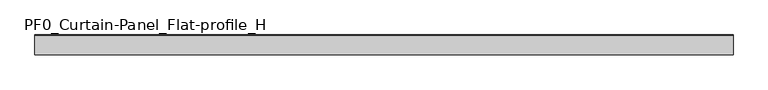
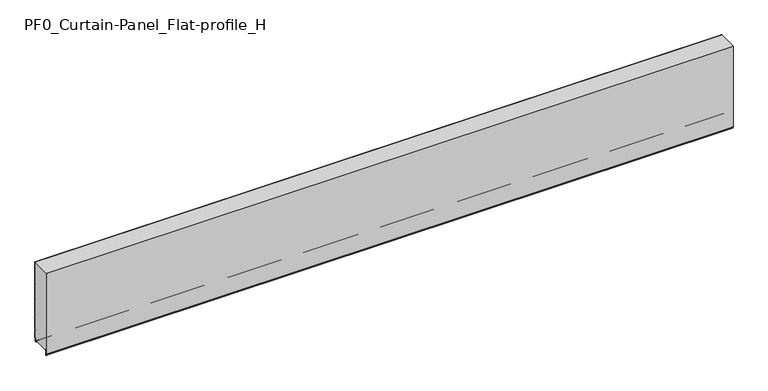
"""IFC4 building model written with IfcOpenShell, lengths in millimetres: plate geometry, PF0_Curtain-Panel_Flat-profile_H."""

from ifc_helpers import new_model, si_unit, point, frame, frame_2d, origin, place, context, project, spatial, polyline, circle_curve, trimmed, segment, composite_curve, outline, extrude, source, transform, mapped, element, save


def pf0_curtain_panel_flat_profile_h_ac6da099(model_context):
    return source(origin(), model_context, "Body", "SweptSolid", [
        extrude(outline(composite_curve([segment(polyline([(-15.878557, 0.0), (-20.0, 0.0), (-20.0, 0.8), (-15.878557, 0.8)]), True, "CONTINUOUS"), segment(trimmed(circle_curve(frame_2d((-15.878557, -2.0)), 2.8), [point((-15.878557, 0.8))], [point((-13.1503208, -1.370137))], False, "CARTESIAN"), True, "CONTINUOUS"), segment(polyline([(-13.1503208, -1.370137), (-11.728236, -7.529863)]), True, "CONTINUOUS"), segment(trimmed(circle_curve(frame_2d((-9.0, -6.9)), 2.8), [point((-11.728236, -7.529863))], [point((-6.2, -6.9))], True, "CARTESIAN"), True, "CONTINUOUS"), segment(polyline([(-6.2, -6.9), (-6.2, 8.6)]), True, "CONTINUOUS"), segment(trimmed(circle_curve(frame_2d((-3.4, 8.6)), 2.8), [point((-6.2, 8.6))], [point((-3.4, 11.4))], False, "CARTESIAN"), True, "CONTINUOUS"), segment(polyline([(-3.4, 11.4), (-2.0, 11.4)]), True, "CONTINUOUS"), segment(trimmed(circle_curve(frame_2d((-2.0, 12.6)), 1.2), [point((-2.0, 11.4))], [point((-0.8, 12.6))], True, "CARTESIAN"), True, "CONTINUOUS"), segment(polyline([(-0.8, 12.6), (-0.8, 57.6856412), (-2.482606, 60.6), (-0.8, 63.5143588), (-0.8, 157.6856412), (-2.482606, 160.6), (-0.8, 163.5143588), (-0.8, 257.6856412), (-2.482606, 260.6), (-0.8, 263.5143588), (-0.8, 357.6856412), (-2.482606, 360.6), (-0.8, 363.5143588), (-0.8, 457.6856412), (-2.482606, 460.6), (-0.8, 463.5143588), (-0.8, 500.0), (0.0, 500.0), (0.0, 463.2999995), (-1.5588455, 460.6), (0.0, 457.9000005), (0.0, 363.2999995), (-1.5588455, 360.6), (0.0, 357.9000005), (0.0, 263.2999995), (-1.5588455, 260.6), (0.0, 257.9000005), (0.0, 163.2999995), (-1.5588455, 160.6), (0.0, 157.9000005), (0.0, 63.2999995), (-1.5588455, 60.6), (0.0, 57.9000005), (0.0, 12.6)]), True, "CONTINUOUS"), segment(trimmed(circle_curve(frame_2d((-2.0, 12.6)), 2.0), [point((0.0, 12.6))], [point((-2.0, 10.6))], False, "CARTESIAN"), True, "CONTINUOUS"), segment(polyline([(-2.0, 10.6), (-3.4, 10.6)]), True, "CONTINUOUS"), segment(trimmed(circle_curve(frame_2d((-3.4, 8.6)), 2.0), [point((-3.4, 10.6))], [point((-5.4, 8.6))], True, "CARTESIAN"), True, "CONTINUOUS"), segment(polyline([(-5.4, 8.6), (-5.4, -6.9)]), True, "CONTINUOUS"), segment(trimmed(circle_curve(frame_2d((-9.0, -6.9)), 3.6), [point((-5.4, -6.9))], [point((-12.5077322, -7.7098239))], False, "CARTESIAN"), True, "CONTINUOUS"), segment(polyline([(-12.5077322, -7.7098239), (-13.929817, -1.5500979)]), True, "CONTINUOUS"), segment(trimmed(circle_curve(frame_2d((-15.878557, -2.0)), 2.0), [point((-13.929817, -1.5500979))], [point((-15.878557, 0.0))], True, "CARTESIAN"), True, "CONTINUOUS")], self_intersect=False)), frame((-2100.0, 0.0, 0.0), z_axis=(1.0, 0.0, 0.0), x_axis=(0.0, 1.0, 0.0)), (0.0, 0.0, 1.0), 4200.0),
        extrude(outline(composite_curve([segment(polyline([(-110.0, 0.8), (-113.5, 0.8)]), True, "CONTINUOUS"), segment(trimmed(circle_curve(frame_2d((-113.5, -2.0)), 2.8), [point((-113.5, 0.8))], [point((-116.3, -2.0))], True, "CARTESIAN"), True, "CONTINUOUS"), segment(polyline([(-116.3, -2.0), (-116.3, -32.8700312)]), True, "CONTINUOUS"), segment(trimmed(circle_curve(frame_2d((-116.6, -32.8700312)), 0.3), [point((-116.3, -32.8700312))], [point((-116.9, -32.8700312))], False, "CARTESIAN"), True, "CONTINUOUS"), segment(polyline([(-116.9, -32.8700312), (-116.9, -26.9)]), True, "CONTINUOUS"), segment(trimmed(circle_curve(frame_2d((-118.6133333, -26.9)), 1.7133333), [point((-116.9, -26.9))], [point((-118.4, -25.2))], True, "CARTESIAN"), True, "CONTINUOUS"), segment(trimmed(circle_curve(frame_2d((-118.4, -24.4)), 0.8), [point((-118.4, -25.2))], [point((-119.2, -24.4))], False, "CARTESIAN"), True, "CONTINUOUS"), segment(polyline([(-119.2, -24.4), (-119.2, 500.0), (-0.8, 500.0), (-0.8, 463.5143588), (-2.482606, 460.6), (-0.8, 457.6856412), (-0.8, 363.5143588), (-2.482606, 360.6), (-0.8, 357.6856412), (-0.8, 263.5143588), (-2.482606, 260.6), (-0.8, 257.6856412), (-0.8, 163.5143588), (-2.482606, 160.6), (-0.8, 157.6856412), (-0.8, 63.5143588), (-2.482606, 60.6), (-0.8, 57.6856412), (-0.8, 12.6)]), True, "CONTINUOUS"), segment(trimmed(circle_curve(frame_2d((-2.0, 12.6)), 1.2), [point((-0.8, 12.6))], [point((-2.0, 11.4))], False, "CARTESIAN"), True, "CONTINUOUS"), segment(polyline([(-2.0, 11.4), (-3.4, 11.4)]), True, "CONTINUOUS"), segment(trimmed(circle_curve(frame_2d((-3.4, 8.6)), 2.8), [point((-3.4, 11.4))], [point((-6.2, 8.6))], True, "CARTESIAN"), True, "CONTINUOUS"), segment(polyline([(-6.2, 8.6), (-6.2, -6.9)]), True, "CONTINUOUS"), segment(trimmed(circle_curve(frame_2d((-9.0, -6.9)), 2.8), [point((-6.2, -6.9))], [point((-11.7282362, -7.529863))], False, "CARTESIAN"), True, "CONTINUOUS"), segment(polyline([(-11.7282362, -7.529863), (-13.1503208, -1.370137)]), True, "CONTINUOUS"), segment(trimmed(circle_curve(frame_2d((-15.878557, -2.0)), 2.8), [point((-13.1503208, -1.370137))], [point((-15.878557, 0.8))], True, "CARTESIAN"), True, "CONTINUOUS"), segment(polyline([(-15.878557, 0.8), (-20.0, 0.8), (-20.0, 0.0), (-110.0, 0.0), (-110.0, 0.8)]), True, "CONTINUOUS")], self_intersect=False)), frame((-2100.0, 0.0, 0.0), z_axis=(1.0, 0.0, 0.0), x_axis=(0.0, 1.0, 0.0)), (0.0, 0.0, 1.0), 4200.0),
        extrude(outline(composite_curve([segment(polyline([(-110.0, 0.0), (-113.5, 0.0)]), True, "CONTINUOUS"), segment(trimmed(circle_curve(frame_2d((-113.5, -2.0)), 2.0), [point((-113.5, 0.0))], [point((-115.5, -2.0))], True, "CARTESIAN"), True, "CONTINUOUS"), segment(polyline([(-115.5, -2.0), (-115.5, -33.0)]), True, "CONTINUOUS"), segment(trimmed(circle_curve(frame_2d((-116.5, -33.0)), 1.0), [point((-115.5, -33.0))], [point((-117.5, -33.0))], False, "CARTESIAN"), True, "CONTINUOUS"), segment(polyline([(-117.5, -33.0), (-117.5, -26.9)]), True, "CONTINUOUS"), segment(trimmed(circle_curve(frame_2d((-118.4, -26.9)), 0.9), [point((-117.5, -26.9))], [point((-118.4, -26.0))], True, "CARTESIAN"), True, "CONTINUOUS"), segment(trimmed(circle_curve(frame_2d((-118.4, -24.4)), 1.6), [point((-118.4, -26.0))], [point((-120.0, -24.4))], False, "CARTESIAN"), True, "CONTINUOUS"), segment(polyline([(-120.0, -24.4), (-120.0, 500.0), (-119.2, 500.0), (-119.2, -24.4)]), True, "CONTINUOUS"), segment(trimmed(circle_curve(frame_2d((-118.4, -24.4)), 0.8), [point((-119.2, -24.4))], [point((-118.4, -25.2))], True, "CARTESIAN"), True, "CONTINUOUS"), segment(trimmed(circle_curve(frame_2d((-118.6133333, -26.9)), 1.7133333), [point((-118.4, -25.2))], [point((-116.9, -26.9))], False, "CARTESIAN"), True, "CONTINUOUS"), segment(polyline([(-116.9, -26.9), (-116.9, -32.8700312)]), True, "CONTINUOUS"), segment(trimmed(circle_curve(frame_2d((-116.6, -32.8700312)), 0.3), [point((-116.9, -32.8700312))], [point((-116.3, -32.8700312))], True, "CARTESIAN"), True, "CONTINUOUS"), segment(polyline([(-116.3, -32.8700312), (-116.3, -2.0)]), True, "CONTINUOUS"), segment(trimmed(circle_curve(frame_2d((-113.5, -2.0)), 2.8), [point((-116.3, -2.0))], [point((-113.5, 0.8))], False, "CARTESIAN"), True, "CONTINUOUS"), segment(polyline([(-113.5, 0.8), (-110.0, 0.8), (-110.0, 0.0)]), True, "CONTINUOUS")], self_intersect=False)), frame((-2100.0, 0.0, 0.0), z_axis=(1.0, 0.0, 0.0), x_axis=(0.0, 1.0, 0.0)), (0.0, 0.0, 1.0), 4200.0),
    ])


if __name__ == "__main__":
    model = new_model("IFC4")
    model_context = context("Model", 3, world=origin())
    ifc_project = project(units=[si_unit("LENGTHUNIT", "METRE", prefix="MILLI")], contexts=[model_context])
    site = spatial("IfcSite", under=ifc_project)
    building = spatial("IfcBuilding", under=site)
    placement = place(None, origin())
    pf0_curtain_panel_flat_profile_h_shape = pf0_curtain_panel_flat_profile_h_ac6da099(model_context)
    element("IfcPlate", 1, ObjectType="PF0_Curtain-Panel_Flat-profile_H", at=placement, inside=building, context=model_context, shape_type="MappedRepresentation", body=[
        mapped(pf0_curtain_panel_flat_profile_h_shape, transform((0.0, 0.0, 0.0), x_axis=(1.0, 0.0, 0.0), y_axis=(0.0, 1.0, 0.0), z_axis=(0.0, 0.0, 1.0))),
    ])
    save(model, "model.ifc")
